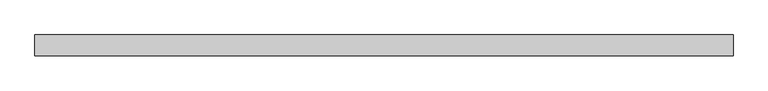
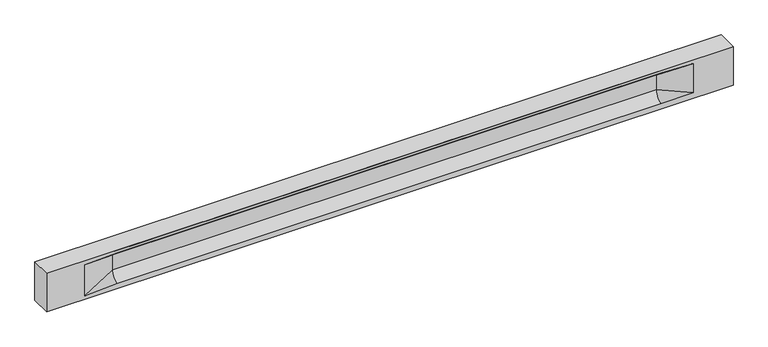
"""IFC4 building model written with IfcOpenShell, lengths in millimetres: beam geometry."""

from ifc_helpers import new_model, si_unit, frame, origin, place, context, project, spatial, polyline, circle_curve, source, transform, mapped, element, save
from ifc_brep_helpers import plane_surface, revolved_surface, spline_surface, advanced_brep


def beam_965c62cc(model_context):
    return source(origin(), model_context, "Body", "AdvancedBrep", [
        advanced_brep(
        [(8426.5, -250.0, 500.0), (8426.5, -250.0, -500.0), (8426.5, 250.0, -500.0), (8426.5, 250.0, 500.0), (-8426.5, -250.0, 500.0), (-8426.5, -250.0, -500.0), (7451.5, -250.0, -362.0), (6651.5, -250.0, -360.0), (-6696.5, -250.0, -360.0), (-7496.5, -250.0, -400.0), (-7496.5, -250.0, 400.0), (-6696.5, -250.0, 435.0), (6651.5, -250.0, 435.0), (7451.5, -250.0, 400.0), (-8426.5, 250.0, -500.0), (-8426.5, 250.0, 500.0), (7451.5, 250.0, 400.0), (6651.5, 250.0, 435.0), (-6696.5, 250.0, 435.0), (-7496.5, 250.0, 400.0), (-7496.5, 250.0, -400.0), (-6696.5, 250.0, -360.0), (6651.5, 250.0, -360.0), (7451.5, 250.0, -362.0), (6651.5, 155.0, 405.0), (-6696.5, 155.0, 405.0), (6651.5, 60.0, 262.777021), (-6696.5, 60.0, 262.777021), (6651.5, 60.0, -120.0), (-6696.5, 60.0, -120.0), (6651.5, -60.0, -120.0), (-6696.5, -60.0, -120.0), (6651.5, -60.0, 262.777021), (-6696.5, -60.0, 262.777021), (6651.5, -155.0, 405.0), (-6696.5, -155.0, 405.0)],
        [
            (0, 1),
            (1, 2),
            (2, 3),
            (3, 0),
            (0, 4),
            (4, 5),
            (5, 1),
            (6, 7),
            (7, 8),
            (8, 9),
            (9, 10),
            (10, 11),
            (11, 12),
            (12, 13),
            (13, 6),
            (5, 14),
            (14, 2),
            (14, 15),
            (15, 3),
            (16, 17),
            (17, 18),
            (18, 19),
            (19, 20),
            (20, 21),
            (21, 22),
            (22, 23),
            (23, 16),
            (15, 4),
            (17, 24),
            (24, 25),
            (25, 18),
            (24, 26, circle_curve(frame((6651.5, 213.9598725, 262.777021), z_axis=(1.0, 0.0, 0.0), x_axis=(0.0, 1.0, 0.0)), 153.9598725)),
            (26, 27),
            (27, 25, circle_curve(frame((-6696.5, 213.9598725, 262.777021), z_axis=(-1.0, 0.0, 0.0), x_axis=(0.0, 1.0, 0.0)), 153.9598725)),
            (26, 28),
            (28, 29),
            (29, 27),
            (28, 22, circle_curve(frame((6651.5, 306.5789474, -120.0), z_axis=(1.0, 0.0, 0.0), x_axis=(0.0, 1.0, 0.0)), 246.5789474)),
            (21, 29, circle_curve(frame((-6696.5, 306.5789474, -120.0), z_axis=(-1.0, 0.0, 0.0), x_axis=(0.0, 1.0, 0.0)), 246.5789474)),
            (7, 30, circle_curve(frame((6651.5, -306.5789474, -120.0), z_axis=(1.0, 0.0, 0.0), x_axis=(0.0, 1.0, 0.0)), 246.5789474)),
            (30, 31),
            (31, 8, circle_curve(frame((-6696.5, -306.5789474, -120.0), z_axis=(-1.0, 0.0, 0.0), x_axis=(0.0, 1.0, 0.0)), 246.5789474)),
            (30, 32),
            (32, 33),
            (33, 31),
            (32, 34, circle_curve(frame((6651.5, -213.9598725, 262.777021), z_axis=(1.0, 0.0, 0.0), x_axis=(0.0, 1.0, 0.0)), 153.9598725)),
            (34, 35),
            (35, 33, circle_curve(frame((-6696.5, -213.9598725, 262.777021), z_axis=(-1.0, 0.0, 0.0), x_axis=(0.0, 1.0, 0.0)), 153.9598725)),
            (34, 12),
            (11, 35),
            (27, 19),
            (19, 25),
            (10, 35),
            (10, 33),
            (9, 31),
            (20, 29),
            (34, 13),
            (32, 13),
            (30, 6),
            (28, 23),
            (26, 16),
            (24, 16),
        ],
        [
            plane_surface(frame((8426.5, 0.0, 0.0), z_axis=(1.0, 0.0, 0.0), x_axis=(0.0, 0.0, 1.0))),
            plane_surface(frame((8426.5, -250.0, 500.0), z_axis=(0.0, -1.0, 0.0), x_axis=(-1.0, 0.0, 0.0))),
            plane_surface(frame((8426.5, -250.0, -500.0), z_axis=(0.0, 0.0, -1.0), x_axis=(-1.0, 0.0, 0.0))),
            plane_surface(frame((8426.5, 250.0, -500.0), z_axis=(0.0, 1.0, 0.0), x_axis=(-1.0, 0.0, 0.0))),
            plane_surface(frame((8426.5, 250.0, 500.0), z_axis=(0.0, 0.0, 1.0), x_axis=(-1.0, 0.0, 0.0))),
            plane_surface(frame((-6696.5, 250.0, 435.0), z_axis=(0.0, 0.30113136793710954, -0.9535826651341378), x_axis=(1.0, 0.0, 0.0))),
            revolved_surface(polyline([(6651.5, 367.919745, 262.777021), (-6696.5, 367.919745, 262.777021)]), (-6696.5, 213.9598725, 262.777021), (1.0, 0.0, 0.0)),
            plane_surface(frame((-6696.5, 60.0, 262.777021), z_axis=(0.0, 1.0, 0.0), x_axis=(1.0, 0.0, 0.0))),
            revolved_surface(polyline([(6651.5, 553.1578948, -120.0), (-6696.5, 553.1578948, -120.0)]), (-6696.5, 306.5789474, -120.0), (1.0, 0.0, 0.0)),
            revolved_surface(polyline([(6651.5, -60.0, -120.0), (-6696.5, -60.0, -120.0)]), (-6696.5, -306.5789474, -120.0), (1.0, 0.0, 0.0)),
            plane_surface(frame((-6696.5, -60.0, -120.0), z_axis=(0.0, -1.0, 0.0), x_axis=(1.0, 0.0, 0.0))),
            revolved_surface(polyline([(6651.5, -60.0, 262.777021), (-6696.5, -60.0, 262.777021)]), (-6696.5, -213.9598725, 262.777021), (1.0, 0.0, 0.0)),
            plane_surface(frame((-6696.5, -155.0, 405.0), z_axis=(0.0, -0.30113136793710693, -0.9535826651341387), x_axis=(1.0, 0.0, 0.0))),
            spline_surface(2, 1, [[(-7496.5, 250.0, 400.0), (-6696.5, 60.0, 262.777021)], [(-7496.5, 250.0, 400.0), (-6696.5, 59.99999995452379, 365.6168572954922)], [(-7496.5, 250.0, 400.0), (-6696.5, 155.0, 405.0)]], [3, 3], [2, 2], [0.0, 1.0], [0.0, 1.0], weights=[[1.0, 1.0], [0.8315515921160737, 0.8315515921160737], [1.0, 1.0]]),
            plane_surface(frame((-7496.5, 250.0, 400.0), z_axis=(0.04168298285568782, 0.30086965068766386, -0.9527538938442265), x_axis=(0.0, 0.9535826651341378, 0.30113136793710954))),
            plane_surface(frame((-7496.5, -250.0, 400.0), z_axis=(0.04168298285568785, -0.30086965068766125, -0.9527538938442274), x_axis=(0.0, 0.9535826651341387, -0.30113136793710693))),
            spline_surface(2, 1, [[(-7496.5, -250.0, 400.0), (-6696.5, -155.0, 405.0)], [(-7496.5, -250.0, 400.0), (-6696.5, -60.00000008030692, 365.6168572114734)], [(-7496.5, -250.0, 400.0), (-6696.5, -60.0, 262.777021)]], [3, 3], [2, 2], [0.0, 1.0], [0.0, 1.0], weights=[[1.0, 1.0], [0.8315515924557569, 0.8315515924557569], [1.0, 1.0]]),
            plane_surface(frame((-7496.5, -250.0, 0.0), z_axis=(0.23107243079589995, -0.9729365507195595, 0.0), x_axis=(0.0, 0.0, -1.0))),
            spline_surface(2, 1, [[(-7496.5, -250.0, -400.0), (-6696.5, -60.0, -120.0)], [(-7496.5, -250.0, -400.0), (-6696.5, -59.99999998020837, -315.20833333333337)], [(-7496.5, -250.0, -400.0), (-6696.5, -250.0, -360.0)]], [3, 3], [2, 2], [0.0, 1.0], [0.0, 1.0], weights=[[1.0, 1.0], [0.7840458244617614, 0.7840458244617614], [1.0, 1.0]]),
            spline_surface(2, 1, [[(-7496.5, 250.0, -400.0), (-6696.5, 250.0, -360.0)], [(-7496.5, 250.0, -400.0), (-6696.5, 60.00000002887427, -315.20833329480604)], [(-7496.5, 250.0, -400.0), (-6696.5, 60.0, -120.0)]], [3, 3], [2, 2], [0.0, 1.0], [0.0, 1.0], weights=[[1.0, 1.0], [0.7840458245391329, 0.7840458245391329], [1.0, 1.0]]),
            plane_surface(frame((-7496.5, 250.0, 0.0), z_axis=(0.23107243079589565, 0.9729365507195605, 0.0), x_axis=(0.0, 0.0, 1.0))),
            plane_surface(frame((-8426.5, 0.0, 0.0), z_axis=(-1.0, 0.0, 0.0), x_axis=(0.0, 0.0, 1.0))),
            plane_surface(frame((6651.5, -202.5, 420.0), z_axis=(-0.041682982855687514, -0.30086965068766125, -0.9527538938442274), x_axis=(0.0, 0.9535826651341387, -0.30113136793710693))),
            spline_surface(2, 1, [[(6651.5, -155.0, 405.0), (7451.5, -250.0, 400.0)], [(6651.5, -60.00000008030692, 365.6168572114734), (7451.5, -250.0, 400.0)], [(6651.5, -60.0, 262.777021), (7451.5, -250.0, 400.0)]], [3, 3], [2, 2], [0.0, 1.0], [0.0, 1.0], weights=[[1.0, 1.0], [0.8315515924557569, 0.8315515924557569], [1.0, 1.0]]),
            plane_surface(frame((6651.5, -60.0, 71.3885105), z_axis=(-0.23107243079589768, -0.9729365507195602, 0.0), x_axis=(0.0, 0.0, -1.0))),
            spline_surface(2, 1, [[(6651.5, -60.0, -120.0), (7451.5, -250.0, -362.0)], [(6651.5, -59.99999998020837, -315.20833333333337), (7451.5, -250.0, -362.0)], [(6651.5, -250.0, -360.0), (7451.5, -250.0, -362.0)]], [3, 3], [2, 2], [0.0, 1.0], [0.0, 1.0], weights=[[1.0, 1.0], [0.7840458244617614, 0.7840458244617614], [1.0, 1.0]]),
            spline_surface(2, 1, [[(6651.5, 250.0, -360.0), (7451.5, 250.0, -362.0)], [(6651.5, 60.00000002887427, -315.20833329480604), (7451.5, 250.0, -362.0)], [(6651.5, 60.0, -120.0), (7451.5, 250.0, -362.0)]], [3, 3], [2, 2], [0.0, 1.0], [0.0, 1.0], weights=[[1.0, 1.0], [0.7840458245391329, 0.7840458245391329], [1.0, 1.0]]),
            plane_surface(frame((6651.5, 60.0, 71.3885105), z_axis=(-0.2310724307958912, 0.9729365507195616, 0.0), x_axis=(0.0, 0.0, 1.0))),
            spline_surface(2, 1, [[(6651.5, 60.0, 262.777021), (7451.5, 250.0, 400.0)], [(6651.5, 59.99999995452379, 365.6168572954922), (7451.5, 250.0, 400.0)], [(6651.5, 155.0, 405.0), (7451.5, 250.0, 400.0)]], [3, 3], [2, 2], [0.0, 1.0], [0.0, 1.0], weights=[[1.0, 1.0], [0.8315515921160737, 0.8315515921160737], [1.0, 1.0]]),
            plane_surface(frame((6651.5, 202.5, 420.0), z_axis=(-0.04168298285568677, 0.30086965068766386, -0.9527538938442265), x_axis=(0.0, 0.9535826651341378, 0.30113136793710954))),
        ],
        [
            (0, [[1, 2, 3, 4]]),
            (1, [[-1, 5, 6, 7], [8, 9, 10, 11, 12, 13, 14, 15]]),
            (2, [[-2, -7, 16, 17]]),
            (3, [[-3, -17, 18, 19], [20, 21, 22, 23, 24, 25, 26, 27]]),
            (4, [[-5, -4, -19, 28]]),
            (5, [[-21, 29, 30, 31]]),
            (6, [[-30, 32, 33, 34]]),
            (7, [[-33, 35, 36, 37]]),
            (8, [[-36, 38, -25, 39]]),
            (9, [[-9, 40, 41, 42]]),
            (10, [[-41, 43, 44, 45]]),
            (11, [[-44, 46, 47, 48]]),
            (12, [[-47, 49, -13, 50]]),
            (13, [[51, 52, -34]]),
            (14, [[-52, -22, -31]]),
            (15, [[-12, 53, -50]]),
            (16, [[-53, 54, -48]]),
            (17, [[-54, -11, 55, -45]]),
            (18, [[-55, -10, -42]]),
            (19, [[-24, 56, -39]]),
            (20, [[-51, -37, -56, -23]]),
            (21, [[-28, -18, -16, -6]]),
            (22, [[-14, -49, 57]]),
            (23, [[-57, -46, 58]]),
            (24, [[-58, -43, 59, -15]]),
            (25, [[-59, -40, -8]]),
            (26, [[-26, -38, 60]]),
            (27, [[-60, -35, 61, -27]]),
            (28, [[-61, -32, 62]]),
            (29, [[-62, -29, -20]]),
        ],
    ),
    ])


if __name__ == "__main__":
    model = new_model("IFC4")
    model_context = context("Model", 3, world=origin())
    ifc_project = project(units=[si_unit("LENGTHUNIT", "METRE", prefix="MILLI")], contexts=[model_context])
    site = spatial("IfcSite", under=ifc_project)
    building = spatial("IfcBuilding", under=site)
    placement = place(None, origin())
    beam_shape = beam_965c62cc(model_context)
    element("IfcBeam", 1, at=placement, inside=building, context=model_context, shape_type="MappedRepresentation", body=[
        mapped(beam_shape, transform((0.0, 0.0, 0.0), x_axis=(1.0, 0.0, 0.0), y_axis=(0.0, 1.0, 0.0), z_axis=(0.0, 0.0, 1.0))),
    ])
    save(model, "model.ifc")
